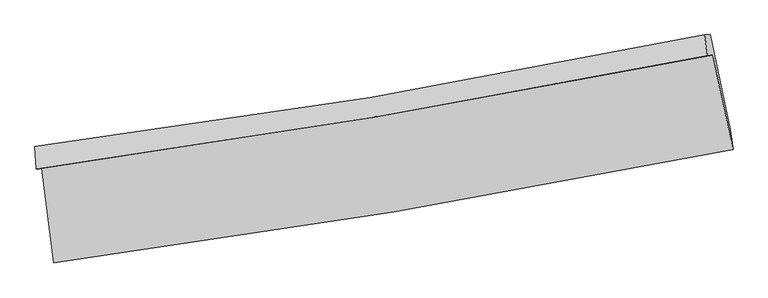
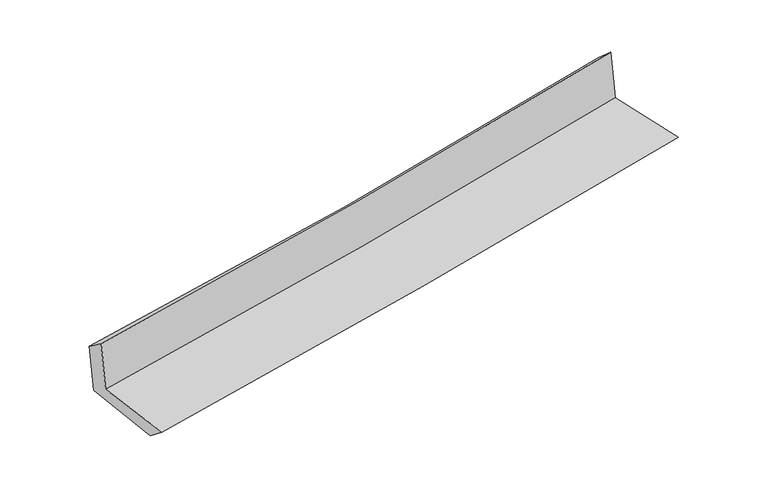
"""IFC4 building model written with IfcOpenShell, lengths in millimetres: proxy geometry."""

from ifc_helpers import new_model, si_unit, frame, origin, place, context, project, spatial, source, transform, mapped, element, save
from ifc_brep_helpers import plane_surface, spline_curve, spline_surface, advanced_brep


def generic_models_47c649f3(model_context):
    return source(origin(), model_context, "Body", "AdvancedBrep", [
        advanced_brep(
        [(-2334.2981613, -1881.6481908, 1668.7832775), (-2250.674475, -2533.0143851, 1663.9961558), (2421.6456411, -1753.9516407, 2106.1872396), (2283.0728399, -1101.7436902, 2100.752185), (-2372.1083779, -1886.3621969, 2078.3255869), (2245.0088449, -1106.5008793, 2510.2713259), (-2381.553854, -1730.2827867, 1966.5397209), (2226.5183431, -962.2886235, 2381.746286), (-2344.3774868, -1730.452963, 1570.4048633), (2262.9208939, -962.348825, 2000.4042638), (-2258.5109878, -2385.700831, 1546.9899831), (2403.5169125, -1613.3448143, 1981.9286679)],
        [
            (0, 1),
            (1, 2, spline_curve(3, [(-2250.674475, -2533.0143851, 1663.9961558), (-1469.660557259, -2429.853330937, 1745.000000755), (-690.483109427, -2313.489957986, 1822.292229583), (866.97004633, -2053.896676103, 1969.715768182), (1645.232637472, -1910.572467543, 2039.82056725), (2421.6456411, -1753.9516407, 2106.1872396)], [4, 2, 4], [0.0, 7.746572525586227, 15.520761380106663])),
            (2, 3),
            (3, 0, spline_curve(3, [(2283.0728399, -1101.7436902, 2100.752185), (1516.059783712, -1254.675274426, 2028.303067105), (747.084206645, -1396.228540163, 1956.017338536), (-792.053378716, -1656.11601187, 1812.028861571), (-1562.201468571, -1774.530913245, 1740.324954212), (-2334.2981613, -1881.6481908, 1668.7832775)], [4, 2, 4], [0.0, 7.774188854520435, 15.520761380106663])),
            (4, 0),
            (3, 5),
            (5, 4, spline_curve(3, [(2245.0088449, -1106.5008793, 2510.2713259), (1478.345869363, -1259.385067418, 2434.501088239), (709.566244513, -1400.911065683, 2360.559692063), (-829.487840958, -1660.784285908, 2216.590749286), (-1599.747290484, -1779.212060171, 2146.550232282), (-2372.1083779, -1886.3621969, 2078.3255869)], [4, 2, 4], [0.0, 7.728679154545455, 15.429903644719749])),
            (6, 4),
            (5, 7),
            (7, 6, spline_curve(3, [(2226.5183431, -962.2886235, 2381.746286), (1462.440715714, -1123.069859796, 2313.641113535), (695.707901605, -1267.544904597, 2244.925330244), (-840.334994505, -1523.427315502, 2106.518811599), (-1609.626246342, -1634.950325076, 2036.832406306), (-2381.553854, -1730.2827867, 1966.5397209)], [4, 2, 4], [0.0, 7.718909494358305, 15.410399029207186])),
            (8, 6),
            (7, 9),
            (9, 8, spline_curve(3, [(2262.9208939, -962.348825, 2000.4042638), (1499.137723294, -1123.152587028, 1928.13309459), (732.616589949, -1267.648071725, 1856.100892283), (-803.168954359, -1523.567125974, 1712.769453546), (-1572.413948288, -1635.106353948, 1641.468522266), (-2344.3774868, -1730.452963, 1570.4048633)], [4, 2, 4], [0.0, 7.709809651162509, 15.39223166827972])),
            (10, 8),
            (9, 11),
            (11, 10, spline_curve(3, [(2403.5169125, -1613.3448143, 1981.9286679), (1629.73926738, -1770.312035369, 1908.98334626), (853.652750613, -1913.248248088, 1836.20159434), (-700.372924079, -2170.600745863, 1691.223192955), (-1478.295707546, -2285.116538572, 1619.025383056), (-2258.5109878, -2385.700831, 1546.9899831)], [4, 2, 4], [0.0, 7.75514180609548, 15.482734944277649])),
            (1, 10),
            (11, 2),
        ],
        [
            spline_surface(3, 3, [[(-2334.2981613, -1881.6481908, 1668.7832775), (-1562.201468607, -1774.530913206, 1740.324954156), (-792.053378676, -1656.116011923, 1812.028861515), (747.084206604, -1396.22854011, 1956.017338593), (1516.059783716, -1254.675274518, 2028.303067061), (2283.0728399, -1101.7436902, 2100.752185)], [(-2306.423599217, -2098.770255571, 1667.187570266), (-1531.354498172, -1992.971719124, 1741.883302987), (-758.19662227, -1875.240660623, 1815.449984178), (787.046153244, -1615.451252131, 1960.583481806), (1559.117401598, -1473.307672216, 2032.142233806), (2329.263773616, -1319.146340349, 2102.563869856)], [(-2278.549037083, -2315.892320329, 1665.591863034), (-1500.507527686, -2211.41252503, 1743.441651822), (-724.339865946, -2094.365309269, 1818.871106855), (827.008099804, -1834.673964098, 1965.149625032), (1602.175019532, -1691.940069966, 2035.981400581), (2375.454707384, -1536.548990551, 2104.375554744)], [(-2250.674475, -2533.0143851, 1663.9961558), (-1469.660557251, -2429.853330948, 1745.000000654), (-690.483109541, -2313.48995797, 1822.292229519), (866.970046445, -2053.89667612, 1969.715768246), (1645.232637413, -1910.572467665, 2039.820567326), (2421.6456411, -1753.9516407, 2106.1872396)]], [4, 4], [4, 2, 4], [0.0, 2.1879689596179848], [0.0, 7.746572525586227, 15.520761380106663]),
            spline_surface(3, 3, [[(-2372.1083779, -1886.3621969, 2078.3255869), (-1599.747290422, -1779.212060195, 2146.550232369), (-829.487840996, -1660.784285903, 2216.59074924), (709.566244551, -1400.911065688, 2360.559692109), (1478.345869389, -1259.385067401, 2434.501088206), (2245.0088449, -1106.5008793, 2510.2713259)], [(-2359.504972352, -1884.790861548, 1941.811483778), (-1587.232016469, -1777.65167788, 2011.141806309), (-817.00968691, -1659.228194586, 2081.736786665), (722.07223188, -1399.350223838, 2225.712240938), (1490.91717419, -1257.815136436, 2299.101747823), (2257.696843258, -1104.915149596, 2373.764945598)], [(-2346.901566848, -1883.219526152, 1805.297380622), (-1574.71674256, -1776.091295522, 1875.733380216), (-804.531532761, -1657.67210324, 1946.882824089), (734.578219274, -1397.789381959, 2090.864789764), (1503.488478916, -1256.245205483, 2163.702407445), (2270.384841542, -1103.329419904, 2237.258565302)], [(-2334.2981613, -1881.6481908, 1668.7832775), (-1562.201468607, -1774.530913206, 1740.324954156), (-792.053378676, -1656.116011923, 1812.028861515), (747.084206604, -1396.22854011, 1956.017338593), (1516.059783716, -1254.675274518, 2028.303067061), (2283.0728399, -1101.7436902, 2100.752185)]], [4, 4], [4, 2, 4], [0.0, 1.3330417888670083], [0.0, 7.701224490174294, 15.429903644719749]),
            spline_surface(3, 3, [[(-2381.553854, -1730.2827867, 1966.5397209), (-1609.6262463, -1634.950325141, 2036.832406357), (-840.334994596, -1523.427315476, 2106.518811518), (695.707901696, -1267.544904623, 2244.925330326), (1462.44071568, -1123.069859852, 2313.641113552), (2226.5183431, -962.2886235, 2381.746286)], [(-2378.405361979, -1782.309256771, 2003.801676234), (-1606.33326102, -1683.037570163, 2073.405015028), (-836.719276737, -1569.212972269, 2143.209457421), (700.327349307, -1312.000291629, 2283.470117583), (1467.742433565, -1168.508262377, 2353.927771797), (2232.681843682, -1010.359375442, 2424.587965994)], [(-2375.256869921, -1834.335726829, 2041.063631566), (-1603.040275702, -1731.124815173, 2109.977623697), (-833.103558855, -1614.99862911, 2179.900103337), (704.94679694, -1356.455678682, 2322.014904853), (1473.044151504, -1213.946664877, 2394.214429961), (2238.845344318, -1058.430127358, 2467.429645906)], [(-2372.1083779, -1886.3621969, 2078.3255869), (-1599.747290422, -1779.212060195, 2146.550232369), (-829.487840996, -1660.784285903, 2216.59074924), (709.566244551, -1400.911065688, 2360.559692109), (1478.345869389, -1259.385067401, 2434.501088206), (2245.0088449, -1106.5008793, 2510.2713259)]], [4, 4], [4, 2, 4], [0.0, 0.5796199527912838], [0.0, 7.6914895348488805, 15.410399029207186]),
            spline_surface(3, 3, [[(-2344.3774868, -1730.452963, 1570.4048633), (-1572.41394818, -1635.106354001, 1641.468522272), (-803.168954484, -1523.567126025, 1712.76945354), (732.616590074, -1267.648071674, 1856.100892289), (1499.137723228, -1123.152586994, 1928.133094515), (2262.9208939, -962.348825, 2000.4042638)], [(-2356.769609183, -1730.396237566, 1702.449815827), (-1584.818047536, -1635.05434438, 1773.256483627), (-815.557634508, -1523.520522503, 1844.019239563), (720.313693961, -1267.613682651, 1985.709038331), (1486.905387377, -1123.125011303, 2056.635767508), (2250.786710298, -962.328757856, 2127.51827118)], [(-2369.161731617, -1730.339512134, 1834.494768373), (-1597.222146943, -1635.002334762, 1905.044445002), (-827.946314572, -1523.473918998, 1975.269025495), (708.010797809, -1267.579293646, 2115.317184283), (1474.673051531, -1123.097435543, 2185.13844056), (2238.652526702, -962.308690644, 2254.63227862)], [(-2381.553854, -1730.2827867, 1966.5397209), (-1609.6262463, -1634.950325141, 2036.832406357), (-840.334994596, -1523.427315476, 2106.518811518), (695.707901696, -1267.544904623, 2244.925330326), (1462.44071568, -1123.069859852, 2313.641113552), (2226.5183431, -962.2886235, 2381.746286)]], [4, 4], [4, 2, 4], [0.0, 1.2894590667327293], [0.0, 7.6824220171172115, 15.39223166827972]),
            spline_surface(3, 3, [[(-2258.5109878, -2385.700831, 1546.9899831), (-1478.295707418, -2285.116538598, 1619.025383046), (-700.372924056, -2170.60074579, 1691.223192877), (853.65275059, -1913.248248161, 1836.201594418), (1629.739267275, -1770.312035379, 1908.983346229), (2403.5169125, -1613.3448143, 1981.9286679)], [(-2287.133154136, -2167.284874988, 1554.794943156), (-1509.668454341, -2068.446477053, 1626.506429444), (-734.638267535, -1954.92287254, 1698.405279752), (813.307363749, -1698.048189337, 1842.834693696), (1586.205419256, -1554.592219221, 1915.36659567), (2356.651572963, -1396.34615117, 1988.087199879)], [(-2315.755320464, -1948.868919012, 1562.599903244), (-1541.041201257, -1851.776415546, 1633.987475875), (-768.903611005, -1739.244999275, 1705.587366665), (772.961976916, -1482.848130498, 1849.467793011), (1542.671571248, -1338.872403152, 1921.749845074), (2309.786233437, -1179.34748813, 1994.245731821)], [(-2344.3774868, -1730.452963, 1570.4048633), (-1572.41394818, -1635.106354001, 1641.468522272), (-803.168954484, -1523.567126025, 1712.76945354), (732.616590074, -1267.648071674, 1856.100892289), (1499.137723228, -1123.152586994, 1928.133094515), (2262.9208939, -962.348825, 2000.4042638)]], [4, 4], [4, 2, 4], [0.0, 2.1531011548744963], [0.0, 7.7275931381821685, 15.482734944277649]),
            spline_surface(3, 3, [[(-2250.674475, -2533.0143851, 1663.9961558), (-1469.660557251, -2429.853330948, 1745.000000654), (-690.483109541, -2313.48995797, 1822.292229519), (866.970046445, -2053.89667612, 1969.715768246), (1645.232637413, -1910.572467665, 2039.820567326), (2421.6456411, -1753.9516407, 2106.1872396)], [(-2253.286645933, -2483.909867058, 1624.99409824), (-1472.538940639, -2381.607733489, 1703.008461458), (-693.779714387, -2265.860220566, 1778.602550629), (862.530947818, -2007.013866789, 1925.211043628), (1640.068180717, -1863.818990256, 1996.208160286), (2415.602731583, -1707.082698586, 2064.767715692)], [(-2255.898816867, -2434.805349042, 1585.99204066), (-1475.41732403, -2333.362136057, 1661.016922242), (-697.076319209, -2218.230483194, 1734.912871767), (858.091849216, -1960.131057492, 1880.706319036), (1634.903723971, -1817.065512788, 1952.595753269), (2409.559822017, -1660.213756414, 2023.348191808)], [(-2258.5109878, -2385.700831, 1546.9899831), (-1478.295707418, -2285.116538598, 1619.025383046), (-700.372924056, -2170.60074579, 1691.223192877), (853.65275059, -1913.248248161, 1836.201594418), (1629.739267275, -1770.312035379, 1908.983346229), (2403.5169125, -1613.3448143, 1981.9286679)]], [4, 4], [4, 2, 4], [0.0, 0.637313297792378], [0.0, 7.781937602496772, 15.59161760950421]),
            plane_surface(frame((2307.1139126, -1250.0297455, 2180.2149947), z_axis=(0.973775450154821, 0.20766970531436443, 0.09292290444460394), x_axis=(-0.09502707636622316, 0.00015715288656830857, 0.9954746757503469))),
            plane_surface(frame((-2323.5872238, -2024.5768922, 1749.1732646), z_axis=(-0.9876802014157423, -0.12611952160865697, -0.09263738986263846), x_axis=(-0.12733351338943388, 0.9918331724487288, 0.00728933455078102))),
        ],
        [
            (0, [[1, 2, 3, 4]]),
            (1, [[5, -4, 6, 7]]),
            (2, [[8, -7, 9, 10]]),
            (3, [[11, -10, 12, 13]]),
            (4, [[14, -13, 15, 16]]),
            (5, [[17, -16, 18, -2]]),
            (6, [[-12, -9, -6, -3, -18, -15]]),
            (7, [[-1, -5, -8, -11, -14, -17]]),
        ],
    ),
    ])


if __name__ == "__main__":
    model = new_model("IFC4")
    model_context = context("Model", 3, world=origin())
    ifc_project = project(units=[si_unit("LENGTHUNIT", "METRE", prefix="MILLI")], contexts=[model_context])
    site = spatial("IfcSite", under=ifc_project)
    building = spatial("IfcBuilding", under=site)
    placement = place(None, origin())
    generic_models_shape = generic_models_47c649f3(model_context)
    element("IfcBuildingElementProxy", 1, Name="Generic Models", at=placement, inside=building, context=model_context, shape_type="MappedRepresentation", body=[
        mapped(generic_models_shape, transform((0.0, 0.0, 0.0), x_axis=(1.0, 0.0, 0.0), y_axis=(0.0, 1.0, 0.0), z_axis=(0.0, 0.0, 1.0))),
    ])
    save(model, "model.ifc")
